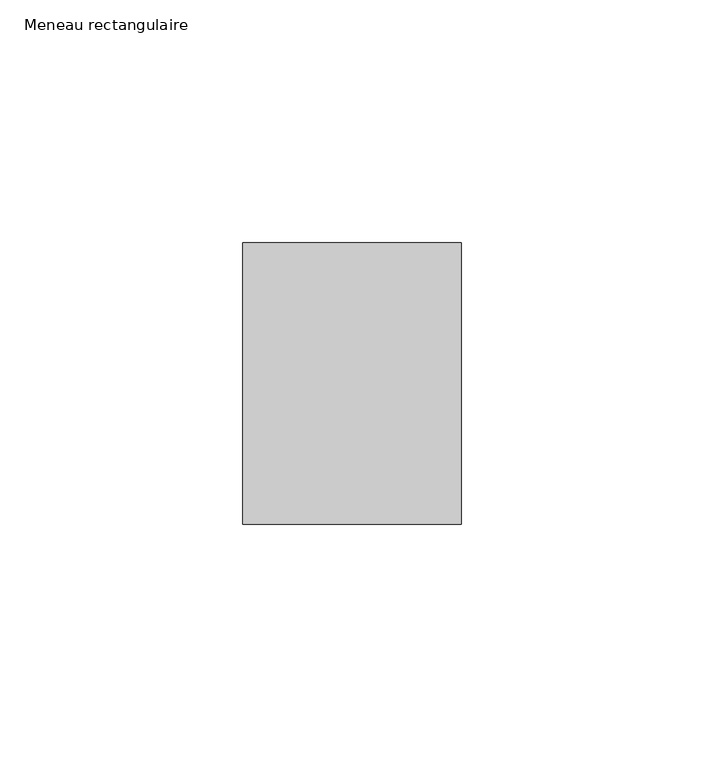
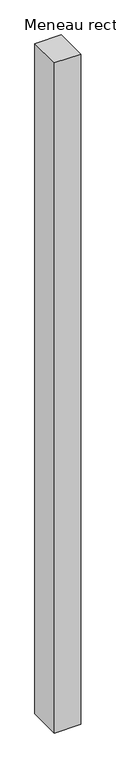
"""IFC4 building model written with IfcOpenShell, lengths in millimetres: member geometry, Meneau rectangulaire."""

from ifc_helpers import new_model, si_unit, frame, origin, place, context, project, spatial, polyline, outline, extrude, source, transform, mapped, element, save


def meneau_rectangulaire_b669d2bd(model_context):
    return source(origin(), model_context, "Body", "SweptSolid", [
        extrude(outline(polyline([(-45.0, 29.0), (0.0, 29.0), (0.0, -29.0), (-45.0, -29.0), (-45.0, 29.0)])), frame((0.0, 0.0, -1216.3749998), z_axis=(0.0, 0.0, 1.0), x_axis=(1.0, 0.0, 0.0)), (0.0, 0.0, 1.0), 1216.3749998),
    ])


if __name__ == "__main__":
    model = new_model("IFC4")
    model_context = context("Model", 3, world=origin())
    ifc_project = project(units=[si_unit("LENGTHUNIT", "METRE", prefix="MILLI")], contexts=[model_context])
    site = spatial("IfcSite", under=ifc_project)
    building = spatial("IfcBuilding", under=site)
    placement = place(None, origin())
    meneau_rectangulaire_shape = meneau_rectangulaire_b669d2bd(model_context)
    element("IfcMember", 1, ObjectType="Meneau rectangulaire", at=placement, inside=building, context=model_context, shape_type="MappedRepresentation", body=[
        mapped(meneau_rectangulaire_shape, transform((0.0, 0.0, 0.0), x_axis=(1.0, 0.0, 0.0), y_axis=(0.0, 1.0, 0.0), z_axis=(0.0, 0.0, 1.0))),
    ])
    save(model, "model.ifc")
